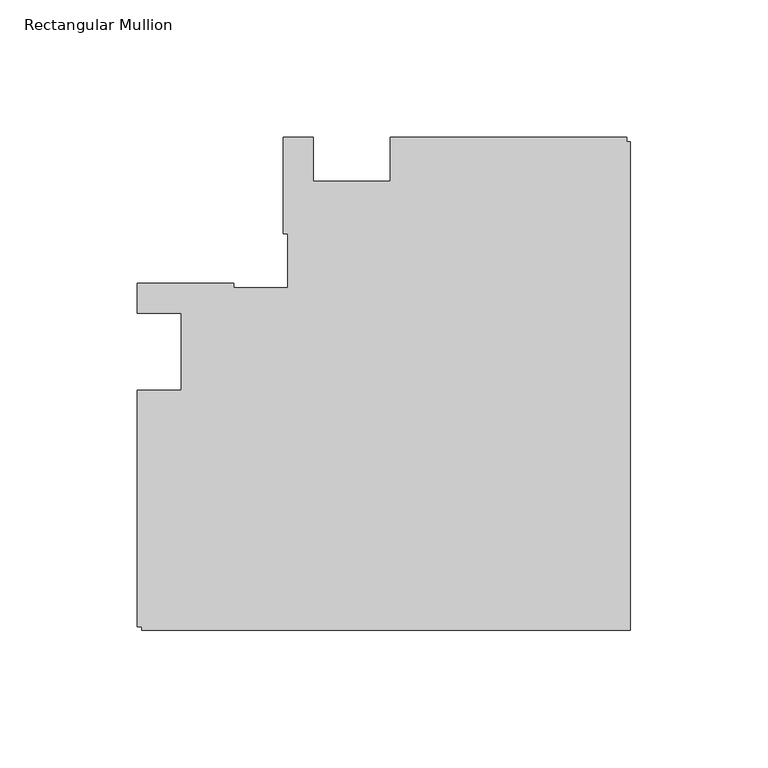
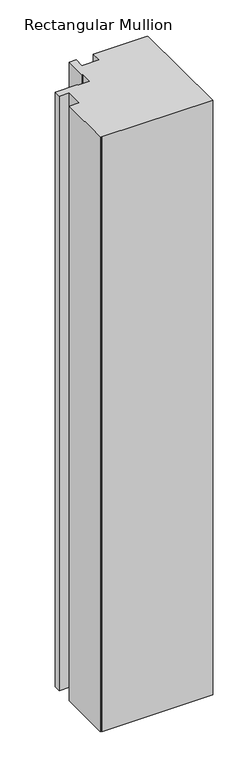
"""IFC4 building model written with IfcOpenShell, lengths in millimetres: member geometry, Rectangular Mullion."""

from ifc_helpers import new_model, si_unit, frame, origin, place, context, project, spatial, polyline, outline, extrude, source, transform, mapped, element, save


def rectangular_mullion_7edf8152(model_context):
    return source(origin(), model_context, "Body", "SweptSolid", [
        extrude(outline(polyline([(-179.1817613, -13.9960563), (-163.1817351, -13.9960563), (-163.1817351, 14.0038344), (-179.1817351, 14.0038344), (-179.1817351, 25.0038344), (-144.1817351, 25.0038344), (-144.1817351, 23.3186203), (-124.518731, 23.3186203), (-124.518731, 42.9816243), (-126.2039451, 42.9816243), (-126.2039451, 77.9816506), (-115.2040012, 77.9816506), (-115.2040012, 61.9816243), (-87.2040012, 61.9816243), (-87.2040012, 77.9816506), (-1.2039451, 77.9816506), (-1.2039451, 76.4884533), (0.0, 76.4884533), (0.0, -101.2001107), (-177.7039408, -101.2001107), (-177.7039408, -100.0001107), (-179.1817613, -100.0001107), (-179.1817613, -13.9960563)])), frame((0.0, 0.0, -1006.6595328), z_axis=(0.0, 0.0, 1.0), x_axis=(1.0, 0.0, 0.0)), (0.0, 0.0, 1.0), 1006.6595328),
    ])


if __name__ == "__main__":
    model = new_model("IFC4")
    model_context = context("Model", 3, world=origin())
    ifc_project = project(units=[si_unit("LENGTHUNIT", "METRE", prefix="MILLI")], contexts=[model_context])
    site = spatial("IfcSite", under=ifc_project)
    building = spatial("IfcBuilding", under=site)
    placement = place(None, origin())
    rectangular_mullion_shape = rectangular_mullion_7edf8152(model_context)
    element("IfcMember", 1, ObjectType="Rectangular Mullion", at=placement, inside=building, context=model_context, shape_type="MappedRepresentation", body=[
        mapped(rectangular_mullion_shape, transform((0.0, 0.0, 0.0), x_axis=(1.0, 0.0, 0.0), y_axis=(0.0, 1.0, 0.0), z_axis=(0.0, 0.0, 1.0))),
    ])
    save(model, "model.ifc")
